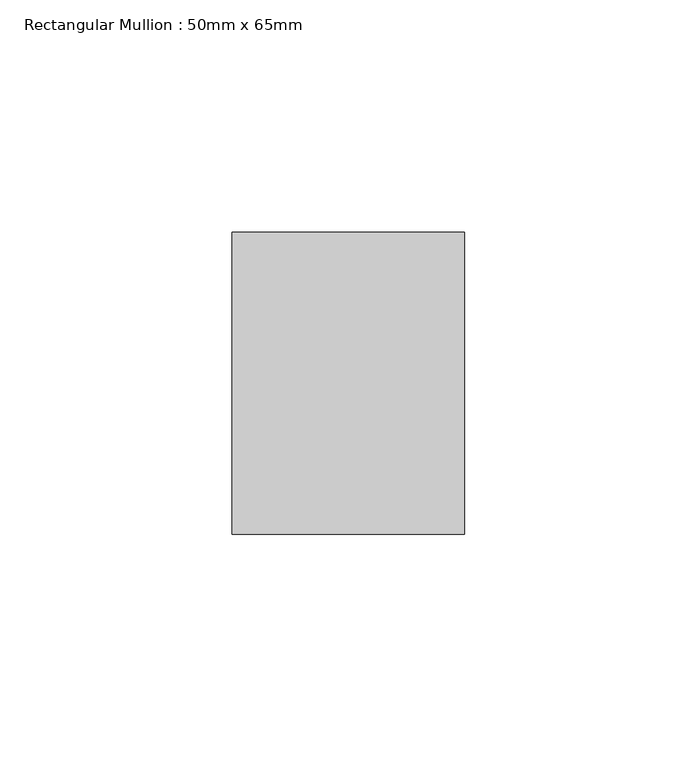
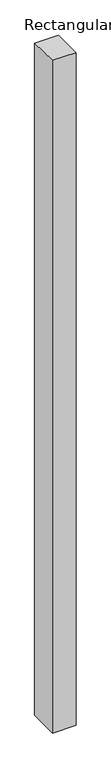
"""IFC4 building model written with IfcOpenShell, lengths in millimetres: member geometry, Rectangular Mullion : 50mm x 65mm."""

from ifc_helpers import new_model, si_unit, origin, place, context, project, spatial, faceted_brep, source, transform, mapped, element, save


def rectangular_mullion_50mm_x_65mm_370c1e4b(model_context):
    return source(origin(), model_context, "Body", "Brep", [
        faceted_brep([(-25.0, 32.5, -0.3057251), (25.0, 32.5, -0.3057241), (25.0, 32.5, -1499.7976402), (-25.0, 32.5, -1499.7976396), (-25.0, -32.5, 0.3057241), (-25.0, -32.5, -1500.2031173), (25.0, -32.5, 0.3057251), (25.0, -32.5, -1500.203118)], [[[0, 1, 2, 3]], [[4, 0, 3, 5]], [[6, 4, 5, 7]], [[1, 6, 7, 2]], [[1, 0, 4, 6]], [[2, 7, 5, 3]]]),
    ])


if __name__ == "__main__":
    model = new_model("IFC4")
    model_context = context("Model", 3, world=origin())
    ifc_project = project(units=[si_unit("LENGTHUNIT", "METRE", prefix="MILLI")], contexts=[model_context])
    site = spatial("IfcSite", under=ifc_project)
    building = spatial("IfcBuilding", under=site)
    placement = place(None, origin())
    rectangular_mullion_50mm_x_65mm_shape = rectangular_mullion_50mm_x_65mm_370c1e4b(model_context)
    element("IfcMember", 1, ObjectType="Rectangular Mullion : 50mm x 65mm", at=placement, inside=building, context=model_context, shape_type="MappedRepresentation", body=[
        mapped(rectangular_mullion_50mm_x_65mm_shape, transform((0.0, 0.0, 0.0), x_axis=(1.0, 0.0, 0.0), y_axis=(0.0, 1.0, 0.0), z_axis=(0.0, 0.0, 1.0))),
    ])
    save(model, "model.ifc")
